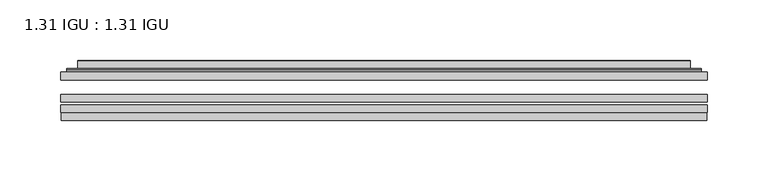
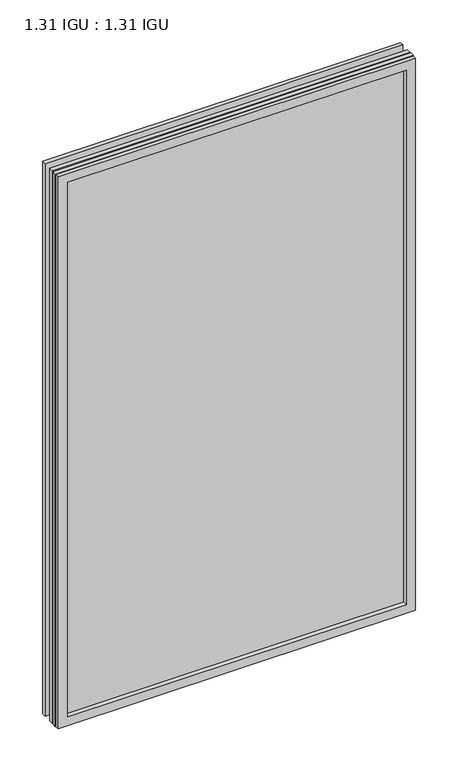
"""IFC4 building model written with IfcOpenShell, lengths in millimetres: plate geometry, 1.31 IGU : 1.31 IGU."""

from ifc_helpers import new_model, si_unit, frame, origin, place, context, project, spatial, polyline, ellipse_curve, outline, extrude, faceted_brep, source, transform, mapped, element, save
from ifc_brep_helpers import plane_surface, cylinder_surface, advanced_brep


def plate_1_31_igu_1_31_igu_d017ee72(model_context):
    return source(origin(), model_context, "Body", "SolidModel", [
        extrude(outline(polyline([(266.714175, -63.59525), (266.714175, -69.94525), (-266.7, -69.94525), (-266.7, -63.59525), (266.714175, -63.59525)])), frame((0.0, 0.0, -14.2875), z_axis=(0.0, 0.0, 1.0), x_axis=(1.0, 0.0, 0.0)), (0.0, 0.0, 1.0), 869.9537979),
        extrude(outline(polyline([(-266.7, -78.58125), (-266.7, -72.230745), (266.714175, -72.230745), (266.714175, -78.58125), (-266.7, -78.58125)])), frame((0.0, 0.0, -14.2875), z_axis=(0.0, 0.0, 1.0), x_axis=(1.0, 0.0, 0.0)), (0.0, 0.0, 1.0), 869.9537979),
        extrude(outline(polyline([(266.714175, -45.25645), (266.714175, -51.60645), (-266.7, -51.60645), (-266.7, -45.25645), (266.714175, -45.25645)])), frame((0.0, 0.0, -14.2875), z_axis=(0.0, 0.0, 1.0), x_axis=(1.0, 0.0, 0.0)), (0.0, 0.0, 1.0), 869.9537979),
        faceted_brep([(-265.9998142, -84.93125, 854.9623142), (-265.9998142, -78.58125, 854.9623142), (-265.9998142, -78.58125, -13.5873142), (-265.9998142, -84.93125, -13.5873142), (265.9998142, -78.58125, -13.5873142), (265.9998142, -84.93125, -13.5873142), (265.9998142, -78.58125, 854.9623142), (265.9998142, -84.93125, 854.9623142), (-251.5147559, -78.58125, 0.8977441), (251.5147559, -78.58125, 0.8977441), (251.5147559, -78.58125, 840.4772559), (-251.5147559, -78.58125, 840.4772559), (-252.4071902, -84.93125, 841.3696902), (252.4071902, -84.93125, 841.3696902), (252.4071902, -84.93125, 0.0053098), (-252.4071902, -84.93125, 0.0053098)], [[[0, 1, 2, 3]], [[3, 2, 4, 5]], [[5, 4, 6, 7]], [[1, 6, 4, 2], [8, 9, 10, 11]], [[7, 6, 1, 0]], [[3, 5, 7, 0], [12, 13, 14, 15]], [[11, 12, 15, 8]], [[8, 15, 14, 9]], [[9, 14, 13, 10]], [[10, 13, 12, 11]]]),
        advanced_brep(
        [(-259.458719, -45.25645, 848.421219), (-261.8129244, -43.2667833, 850.7754244), (-261.8129244, -43.2667833, -9.4004244), (-259.458719, -45.25645, -7.046219), (-250.3843939, -41.416413, 839.3468939), (-245.4495621, -45.25645, 834.4120621), (-245.4495621, -45.25645, 6.9629379), (-250.3843939, -41.416413, 2.0281061), (-251.4164217, -36.0191819, 840.3789217), (-251.4164217, -36.0191819, 0.9960783), (-252.4070784, -35.6202069, 841.3695784), (-252.4070784, -35.6202069, 0.0054216), (-252.4070784, -42.08145, 841.3695784), (-252.4070784, -42.08145, 0.0054216), (-260.8111349, -42.08145, 849.7736349), (-260.8111349, -42.08145, -8.3986349), (261.8129244, -43.2667833, -9.4004244), (259.458719, -45.25645, -7.046219), (245.4495621, -45.25645, 6.9629379), (250.3843939, -41.416413, 2.0281061), (251.4164217, -36.0191819, 0.9960783), (252.4070784, -35.6202069, 0.0054216), (252.4070784, -42.08145, 0.0054216), (260.8111349, -42.08145, -8.3986349), (261.8129244, -43.2667833, 850.7754244), (259.458719, -45.25645, 848.421219), (245.4495621, -45.25645, 834.4120621), (250.3843939, -41.416413, 839.3468939), (251.4164217, -36.0191819, 840.3789217), (252.4070784, -35.6202069, 841.3695784), (252.4070784, -42.08145, 841.3695784), (260.8111349, -42.08145, 849.7736349)],
        [
            (0, 1, ellipse_curve(frame((-259.458719, -42.86885, 848.421219), z_axis=(-0.7071067811865475, 0.0, -0.7071067811865475), x_axis=(-0.7071067811865474, 0.0, 0.7071067811865476)), 3.3765763, 2.3876)),
            (1, 2),
            (2, 3, ellipse_curve(frame((-259.458719, -42.86885, -7.046219), z_axis=(-0.7071067811865475, 0.0, 0.7071067811865475), x_axis=(0.7071067811865474, 0.0, 0.7071067811865476)), 3.3765763, 2.3876)),
            (3, 0),
            (4, 5),
            (5, 6),
            (6, 7),
            (7, 4),
            (8, 4),
            (7, 9),
            (9, 8),
            (10, 8, ellipse_curve(frame((-252.0401219, -36.1384423, 841.0026219), z_axis=(-0.7071067811865475, 0.0, -0.7071067811865475), x_axis=(-0.7071067811865474, 0.0, 0.7071067811865476)), 0.8980256, 0.635)),
            (9, 11, ellipse_curve(frame((-252.0401219, -36.1384423, 0.3723781), z_axis=(-0.7071067811865475, 0.0, 0.7071067811865475), x_axis=(0.7071067811865474, 0.0, 0.7071067811865476)), 0.8980256, 0.635)),
            (11, 10),
            (12, 10),
            (11, 13),
            (13, 12),
            (1, 14, ellipse_curve(frame((-260.8111349, -43.09745, 849.7736349), z_axis=(-0.7071067811865475, 0.0, -0.7071067811865475), x_axis=(-0.7071067811865474, 0.0, 0.7071067811865476)), 1.436841, 1.016)),
            (14, 15),
            (15, 2, ellipse_curve(frame((-260.8111349, -43.09745, -8.3986349), z_axis=(-0.7071067811865475, 0.0, 0.7071067811865475), x_axis=(0.7071067811865474, 0.0, 0.7071067811865476)), 1.436841, 1.016)),
            (2, 16),
            (16, 17, ellipse_curve(frame((259.458719, -42.86885, -7.046219), z_axis=(-0.7071067811865475, 0.0, -0.7071067811865475), x_axis=(-0.7071067811865476, 0.0, 0.7071067811865474)), 3.3765763, 2.3876)),
            (17, 3),
            (6, 18),
            (18, 19),
            (19, 7),
            (19, 20),
            (20, 9),
            (20, 21, ellipse_curve(frame((252.0401219, -36.1384423, 0.3723781), z_axis=(-0.7071067811865475, 0.0, -0.7071067811865475), x_axis=(-0.7071067811865476, 0.0, 0.7071067811865474)), 0.8980256, 0.635)),
            (21, 11),
            (21, 22),
            (22, 13),
            (15, 23),
            (23, 16, ellipse_curve(frame((260.8111349, -43.09745, -8.3986349), z_axis=(-0.7071067811865475, 0.0, -0.7071067811865475), x_axis=(-0.7071067811865476, 0.0, 0.7071067811865474)), 1.436841, 1.016)),
            (16, 24),
            (24, 25, ellipse_curve(frame((259.458719, -42.86885, 848.421219), z_axis=(0.7071067811865475, 0.0, -0.7071067811865475), x_axis=(-0.7071067811865474, 0.0, -0.7071067811865476)), 3.3765763, 2.3876)),
            (25, 17),
            (18, 26),
            (26, 27),
            (27, 19),
            (27, 28),
            (28, 20),
            (28, 29, ellipse_curve(frame((252.0401219, -36.1384423, 841.0026219), z_axis=(0.7071067811865475, 0.0, -0.7071067811865475), x_axis=(-0.7071067811865474, 0.0, -0.7071067811865476)), 0.8980256, 0.635)),
            (29, 21),
            (29, 30),
            (30, 22),
            (23, 31),
            (31, 24, ellipse_curve(frame((260.8111349, -43.09745, 849.7736349), z_axis=(0.7071067811865475, 0.0, -0.7071067811865475), x_axis=(-0.7071067811865474, 0.0, -0.7071067811865476)), 1.436841, 1.016)),
            (24, 1),
            (0, 25),
            (5, 26),
            (4, 27),
            (8, 28),
            (10, 29),
            (12, 30),
            (14, 31),
        ],
        [
            cylinder_surface(frame((-259.458719, -42.86885, 873.125), z_axis=(0.0, 0.0, 1.0), x_axis=(-1.0, 0.0, 0.0)), 2.3876),
            plane_surface(frame((-245.4495621, -45.25645, 834.4120621), z_axis=(0.6141233906514794, 0.7892100234124821, 0.0), x_axis=(0.0, 0.0, -1.0))),
            plane_surface(frame((-250.3843939, -41.416413, 839.3468939), z_axis=(0.9822050625507729, 0.18781164793386076, 0.0), x_axis=(0.0, 0.0, -1.0))),
            cylinder_surface(frame((-252.0401219, -36.1384423, 873.125), z_axis=(0.0, 0.0, 1.0), x_axis=(-1.0, 0.0, 0.0)), 0.635),
            plane_surface(frame((-252.4070784, -35.6202069, 841.3695784), z_axis=(-1.0, 0.0, 0.0), x_axis=(0.0, 0.0, -1.0))),
            cylinder_surface(frame((-260.8111349, -43.09745, 873.125), z_axis=(0.0, 0.0, 1.0), x_axis=(-1.0, 0.0, 0.0)), 1.016),
            cylinder_surface(frame((-284.1625, -42.86885, -7.046219), z_axis=(-1.0, 0.0, 0.0), x_axis=(0.0, 0.0, -1.0)), 2.3876),
            plane_surface(frame((-245.4495621, -45.25645, 6.9629379), z_axis=(0.0, 0.7892100234124841, 0.6141233906514768), x_axis=(1.0, 0.0, 0.0))),
            plane_surface(frame((-250.3843939, -41.416413, 2.0281061), z_axis=(0.0, 0.18781164793386393, 0.9822050625507723), x_axis=(1.0, 0.0, 0.0))),
            cylinder_surface(frame((-284.1625, -36.1384423, 0.3723781), z_axis=(-1.0, 0.0, 0.0), x_axis=(0.0, 0.0, -1.0)), 0.635),
            plane_surface(frame((-252.4070784, -35.6202069, 0.0054216), z_axis=(0.0, 0.0, -1.0), x_axis=(1.0, 0.0, 0.0))),
            cylinder_surface(frame((-284.1625, -43.09745, -8.3986349), z_axis=(-1.0, 0.0, 0.0), x_axis=(0.0, 0.0, -1.0)), 1.016),
            cylinder_surface(frame((259.458719, -42.86885, -31.75), z_axis=(0.0, 0.0, -1.0), x_axis=(1.0, 0.0, 0.0)), 2.3876),
            plane_surface(frame((245.4495621, -45.25645, 6.9629379), z_axis=(-0.6141233906514743, 0.7892100234124861, 0.0), x_axis=(0.0, 0.0, 1.0))),
            plane_surface(frame((250.3843939, -41.416413, 2.0281061), z_axis=(-0.9822050625507718, 0.1878116479338671, 0.0), x_axis=(0.0, 0.0, 1.0))),
            cylinder_surface(frame((252.0401219, -36.1384423, -31.75), z_axis=(0.0, 0.0, -1.0), x_axis=(1.0, 0.0, 0.0)), 0.635),
            plane_surface(frame((252.4070784, -35.6202069, 0.0054216), z_axis=(1.0, 0.0, 0.0), x_axis=(0.0, 0.0, 1.0))),
            cylinder_surface(frame((260.8111349, -43.09745, -31.75), z_axis=(0.0, 0.0, -1.0), x_axis=(1.0, 0.0, 0.0)), 1.016),
            cylinder_surface(frame((284.1625, -42.86885, 848.421219), z_axis=(1.0, 0.0, 0.0), x_axis=(0.0, 0.0, 1.0)), 2.3876),
            plane_surface(frame((259.458719, -45.25645, 848.421219), z_axis=(0.0, -1.0, 0.0), x_axis=(-1.0, 0.0, 0.0))),
            plane_surface(frame((245.4495621, -45.25645, 834.4120621), z_axis=(0.0, 0.7892100234124841, -0.6141233906514768), x_axis=(-1.0, 0.0, 0.0))),
            plane_surface(frame((250.3843939, -41.416413, 839.3468939), z_axis=(0.0, 0.18781164793386393, -0.9822050625507723), x_axis=(-1.0, 0.0, 0.0))),
            cylinder_surface(frame((284.1625, -36.1384423, 841.0026219), z_axis=(1.0, 0.0, 0.0), x_axis=(0.0, 0.0, 1.0)), 0.635),
            plane_surface(frame((252.4070784, -35.6202069, 841.3695784), z_axis=(0.0, 0.0, 1.0), x_axis=(-1.0, 0.0, 0.0))),
            plane_surface(frame((252.4070784, -42.08145, 841.3695784), z_axis=(0.0, 1.0, 0.0), x_axis=(-1.0, 0.0, 0.0))),
            cylinder_surface(frame((284.1625, -43.09745, 849.7736349), z_axis=(1.0, 0.0, 0.0), x_axis=(0.0, 0.0, 1.0)), 1.016),
        ],
        [
            (0, [[1, 2, 3, 4]]),
            (1, [[5, 6, 7, 8]]),
            (2, [[9, -8, 10, 11]]),
            (3, [[12, -11, 13, 14]]),
            (4, [[15, -14, 16, 17]]),
            (5, [[18, 19, 20, -2]]),
            (6, [[-3, 21, 22, 23]]),
            (7, [[-7, 24, 25, 26]]),
            (8, [[-10, -26, 27, 28]]),
            (9, [[-13, -28, 29, 30]]),
            (10, [[-16, -30, 31, 32]]),
            (11, [[-20, 33, 34, -21]]),
            (12, [[-22, 35, 36, 37]]),
            (13, [[-25, 38, 39, 40]]),
            (14, [[-27, -40, 41, 42]]),
            (15, [[-29, -42, 43, 44]]),
            (16, [[-31, -44, 45, 46]]),
            (17, [[-34, 47, 48, -35]]),
            (18, [[-36, 49, -1, 50]]),
            (19, [[-23, -37, -50, -4], [51, -38, -24, -6]]),
            (20, [[-39, -51, -5, 52]]),
            (21, [[-41, -52, -9, 53]]),
            (22, [[-43, -53, -12, 54]]),
            (23, [[-45, -54, -15, 55]]),
            (24, [[56, -47, -33, -19], [-32, -46, -55, -17]]),
            (25, [[-48, -56, -18, -49]]),
        ],
    ),
    ])


if __name__ == "__main__":
    model = new_model("IFC4")
    model_context = context("Model", 3, world=origin())
    ifc_project = project(units=[si_unit("LENGTHUNIT", "METRE", prefix="MILLI")], contexts=[model_context])
    site = spatial("IfcSite", under=ifc_project)
    building = spatial("IfcBuilding", under=site)
    placement = place(None, origin())
    plate_1_31_igu_1_31_igu_shape = plate_1_31_igu_1_31_igu_d017ee72(model_context)
    element("IfcPlate", 1, ObjectType="1.31 IGU : 1.31 IGU", at=placement, inside=building, context=model_context, shape_type="MappedRepresentation", body=[
        mapped(plate_1_31_igu_1_31_igu_shape, transform((0.0, 0.0, 0.0), x_axis=(1.0, 0.0, 0.0), y_axis=(0.0, 1.0, 0.0), z_axis=(0.0, 0.0, 1.0))),
    ])
    save(model, "model.ifc")
